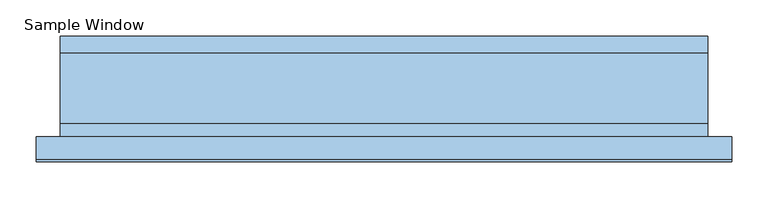
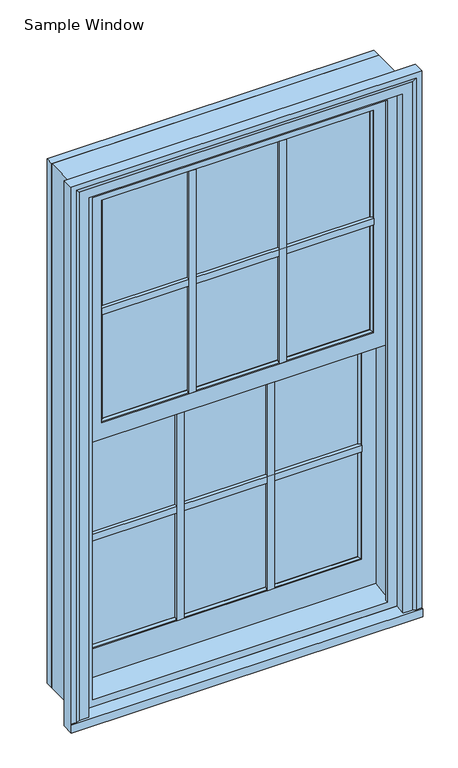
"""IFC4 building model written with IfcOpenShell, lengths in millimetres: window geometry, Sample Window."""

from ifc_helpers import new_model, si_unit, frame, origin, place, context, project, spatial, polyline, outline, extrude, faceted_brep, source, transform, mapped, element, save


def sample_window_9fab33bb(model_context):
    return source(origin(), model_context, "Body", "SolidModel", [
        extrude(outline(polyline([(133.8791667, 9.525), (114.8291667, 9.525), (114.8291667, 19.05), (133.8791667, 19.05), (133.8791667, 9.525)])), frame((0.0, 0.0, 1031.875), z_axis=(0.0, 0.0, 1.0), x_axis=(1.0, 0.0, 0.0)), (0.0, 0.0, 1.0), 644.921875),
        extrude(outline(polyline([(-114.8291667, 9.525), (-133.8791667, 9.525), (-133.8791667, 19.05), (-114.8291667, 19.05), (-114.8291667, 9.525)])), frame((0.0, 0.0, 1031.875), z_axis=(0.0, 0.0, 1.0), x_axis=(1.0, 0.0, 0.0)), (0.0, 0.0, 1.0), 644.921875),
        extrude(outline(polyline([(373.0625, 9.525), (-373.0625, 9.525), (-373.0625, 19.05), (373.0625, 19.05), (373.0625, 9.525)])), frame((0.0, 0.0, 1344.8109375), z_axis=(0.0, 0.0, 1.0), x_axis=(1.0, 0.0, 0.0)), (0.0, 0.0, 1.0), 19.05),
        extrude(outline(polyline([(133.8791667, -47.625), (114.8291667, -47.625), (114.8291667, -38.1), (133.8791667, -38.1), (133.8791667, -47.625)])), frame((0.0, 0.0, 1725.215625), z_axis=(0.0, 0.0, 1.0), x_axis=(1.0, 0.0, 0.0)), (0.0, 0.0, 1.0), 644.921875),
        extrude(outline(polyline([(-114.8291667, -47.625), (-133.8791667, -47.625), (-133.8791667, -38.1), (-114.8291667, -38.1), (-114.8291667, -47.625)])), frame((0.0, 0.0, 1725.215625), z_axis=(0.0, 0.0, 1.0), x_axis=(1.0, 0.0, 0.0)), (0.0, 0.0, 1.0), 644.921875),
        extrude(outline(polyline([(373.0625, -47.625), (-373.0625, -47.625), (-373.0625, -38.1), (373.0625, -38.1), (373.0625, -47.625)])), frame((0.0, 0.0, 2038.1515625), z_axis=(0.0, 0.0, 1.0), x_axis=(1.0, 0.0, 0.0)), (0.0, 0.0, 1.0), 19.05),
        extrude(outline(polyline([(-133.8791667, 38.1), (-133.8791667, 47.625), (-114.8291667, 47.625), (-114.8291667, 38.1), (-133.8791667, 38.1)])), frame((0.0, 0.0, 1031.875), z_axis=(0.0, 0.0, 1.0), x_axis=(1.0, 0.0, 0.0)), (0.0, 0.0, 1.0), 644.921875),
        extrude(outline(polyline([(114.8291667, 38.1), (114.8291667, 47.625), (133.8791667, 47.625), (133.8791667, 38.1), (114.8291667, 38.1)])), frame((0.0, 0.0, 1031.875), z_axis=(0.0, 0.0, 1.0), x_axis=(1.0, 0.0, 0.0)), (0.0, 0.0, 1.0), 644.921875),
        extrude(outline(polyline([(-373.0625, 38.1), (-373.0625, 47.625), (373.0625, 47.625), (373.0625, 38.1), (-373.0625, 38.1)])), frame((0.0, 0.0, 1344.8109375), z_axis=(0.0, 0.0, 1.0), x_axis=(1.0, 0.0, 0.0)), (0.0, 0.0, 1.0), 19.05),
        extrude(outline(polyline([(-133.8791667, -19.05), (-133.8791667, -9.525), (-114.8291667, -9.525), (-114.8291667, -19.05), (-133.8791667, -19.05)])), frame((0.0, 0.0, 1725.215625), z_axis=(0.0, 0.0, 1.0), x_axis=(1.0, 0.0, 0.0)), (0.0, 0.0, 1.0), 644.921875),
        extrude(outline(polyline([(114.8291667, -19.05), (114.8291667, -9.525), (133.8791667, -9.525), (133.8791667, -19.05), (114.8291667, -19.05)])), frame((0.0, 0.0, 1725.215625), z_axis=(0.0, 0.0, 1.0), x_axis=(1.0, 0.0, 0.0)), (0.0, 0.0, 1.0), 644.921875),
        extrude(outline(polyline([(-373.0625, -19.05), (-373.0625, -9.525), (373.0625, -9.525), (373.0625, -19.05), (-373.0625, -19.05)])), frame((0.0, 0.0, 2038.1515625), z_axis=(0.0, 0.0, 1.0), x_axis=(1.0, 0.0, 0.0)), (0.0, 0.0, 1.0), 19.05),
        faceted_brep([(-414.3375, 8.7536645, 2401.8875), (-414.3375, 8.7536645, 2420.9375), (414.3375, 8.7536645, 2420.9375), (414.3375, 8.7536645, 2401.8875), (414.3375, -4.9534455, 2401.8875), (414.3375, -4.9534455, 2420.9375), (-414.3375, -4.9534455, 2420.9375), (-414.3375, -4.9534455, 2401.8875), (449.2625, 58.7375, 2438.4), (449.2625, 58.7375, 916.78125), (414.3375, 58.7375, 916.78125), (414.3375, 58.7375, 2420.9375), (-414.3375, 58.7375, 2420.9375), (-414.3375, 58.7375, 916.78125), (-449.2625, 58.7375, 916.78125), (-449.2625, 58.7375, 2438.4), (449.2625, -38.1, 2438.4), (-449.2625, -38.1, 2438.4), (-449.2625, -38.1, 916.78125), (-414.3375, -38.1, 916.78125), (-414.3375, -38.1, 2420.9375), (414.3375, -38.1, 2420.9375), (414.3375, -38.1, 916.78125), (449.2625, -38.1, 916.78125)], [[[0, 1, 2, 3]], [[4, 5, 6, 7]], [[3, 4, 7, 0]], [[8, 9, 10, 11, 12, 13, 14, 15]], [[16, 17, 18, 19, 20, 21, 22, 23]], [[15, 17, 16, 8]], [[14, 18, 17, 15]], [[13, 19, 18, 14]], [[12, 1, 0, 7, 6, 20, 19, 13]], [[20, 6, 5, 21]], [[11, 2, 1, 12]], [[10, 22, 21, 5, 4, 3, 2, 11]], [[9, 23, 22, 10]], [[8, 16, 23, 9]]]),
        faceted_brep([(-412.986411, -7.4181475, 1715.133286), (-412.986411, 10.1853902, 1715.133286), (-412.986411, 10.1853902, 1700.2125), (-412.986411, 2.0060088, 1700.2125), (-412.986411, 2.0060088, 1677.5526515), (-412.986411, -46.9646098, 1677.5526515), (-412.986411, -46.9646098, 2410.061411), (-412.986411, -38.1, 2410.061411), (-412.986411, -38.1, 1685.291714), (-412.986411, -7.4181475, 1685.291714), (412.986411, -7.4181475, 1715.133286), (412.986411, -7.4181475, 1685.291714), (412.986411, -38.1, 1685.291714), (412.986411, -38.1, 2410.061411), (412.986411, -46.9646098, 2410.061411), (412.986411, -46.9646098, 1677.5526515), (412.986411, 2.0060088, 1677.5526515), (412.986411, 2.0060088, 1700.2125), (412.986411, 10.1853902, 1700.2125), (412.986411, 10.1853902, 1715.133286), (-373.3704656, -46.9646098, 1724.9076594), (-373.3704656, -46.9646098, 2370.4454656), (373.3704656, -46.9646098, 2370.4454656), (373.3704656, -46.9646098, 1724.9076594), (-367.50625, -39.1592145, 1730.771875), (367.50625, -39.1592145, 1730.771875), (367.50625, -38.1, 1730.771875), (-367.50625, -38.1, 1730.771875), (-373.3704656, -44.059247, 1724.9076594), (373.3704656, -44.059247, 1724.9076594), (367.50625, -39.1592145, 2364.58125), (367.50625, -38.1, 2364.58125), (373.3704656, -44.059247, 2370.4454656), (-367.50625, -39.1592145, 2364.58125), (-367.50625, -38.1, 2364.58125), (-373.3704656, -44.059247, 2370.4454656)], [[[0, 1, 2, 3, 4, 5, 6, 7, 8, 9]], [[10, 11, 12, 13, 14, 15, 16, 17, 18, 19]], [[9, 11, 10, 0]], [[9, 8, 12, 11]], [[5, 15, 14, 6], [20, 21, 22, 23]], [[4, 16, 15, 5]], [[3, 17, 16, 4]], [[2, 18, 17, 3]], [[1, 19, 18, 2]], [[0, 10, 19, 1]], [[24, 25, 26, 27]], [[24, 28, 29, 25]], [[28, 20, 23, 29]], [[25, 30, 31, 26]], [[29, 32, 30, 25]], [[23, 22, 32, 29]], [[13, 7, 6, 14]], [[30, 33, 34, 31]], [[32, 35, 33, 30]], [[22, 21, 35, 32]], [[12, 8, 7, 13], [26, 31, 34, 27]], [[27, 34, 33, 24]], [[24, 33, 35, 28]], [[28, 35, 21, 20]]]),
        faceted_brep([(482.6, -91.28125, 889.0), (482.6, -57.15, 889.0), (482.6, -57.15, 2471.7375), (482.6, -88.10625, 2471.7375), (482.6, -88.10625, 912.4066395), (482.6, -91.28125, 911.9604224), (-482.6, -91.28125, 911.9604224), (-482.6, -88.10625, 912.4066395), (-482.6, -88.10625, 2471.7375), (-482.6, -57.15, 2471.7375), (-482.6, -57.15, 889.0), (-482.6, -91.28125, 889.0), (431.7999189, -57.15, 916.7572568), (431.7999189, -57.15, 2420.9374189), (-431.7999189, -57.15, 2420.9374189), (-431.7999189, -57.15, 916.7572568), (467.6595873, -88.10625, 912.4066395), (457.1999189, -85.2514418, 912.8078567), (431.7999189, -85.2514418, 912.8078567), (-431.7999189, -85.2514418, 912.8078567), (-457.1999189, -85.2514418, 912.8078567), (-467.6595873, -88.10625, 912.4066395), (-467.6595873, -88.10625, 2456.7970873), (467.6595873, -88.10625, 2456.7970873), (-457.1999189, -85.2514418, 2446.3374189), (-431.7999189, -85.2514418, 2420.9374189), (431.7999189, -85.2514418, 2420.9374189), (457.1999189, -85.2514418, 2446.3374189)], [[[0, 1, 2, 3, 4, 5]], [[6, 7, 8, 9, 10, 11]], [[1, 10, 9, 2], [12, 13, 14, 15]], [[1, 0, 11, 10]], [[5, 6, 11, 0]], [[5, 4, 16, 17, 18, 12, 15, 19, 20, 21, 7, 6]], [[8, 7, 21, 22, 23, 16, 4, 3]], [[22, 21, 20, 24]], [[24, 20, 19, 25, 26, 18, 17, 27]], [[25, 19, 15, 14]], [[22, 24, 27, 23]], [[25, 14, 13, 26]], [[3, 2, 9, 8]], [[27, 17, 16, 23]], [[13, 12, 18, 26]]]),
        faceted_brep([(414.3375, 19.05, 1686.085464), (414.3375, 19.05, 948.7469339), (431.2210482, 19.05, 948.7469339), (431.2210482, 19.05, 916.78125), (-431.2210482, 19.05, 916.78125), (-431.2210482, 19.05, 948.7469339), (-414.3375, 19.05, 948.7469339), (-414.3375, 19.05, 1686.085464), (-412.986411, 19.05, 1686.085464), (-412.986411, 19.05, 948.7469339), (412.986411, 19.05, 948.7469339), (412.986411, 19.05, 1686.085464), (412.986411, -38.1, 1686.085464), (412.986411, -38.1, 940.7150252), (414.3375, -38.1, 940.7150252), (414.3375, -38.1, 1686.085464), (-414.3375, -38.1, 1686.085464), (-414.3375, -38.1, 940.7150252), (-412.986411, -38.1, 940.7150252), (-412.986411, -38.1, 1686.085464), (431.2210482, -38.1, 940.7150252), (431.2210482, -38.1, 916.78125), (-431.2210482, -38.1, 916.78125), (-431.2210482, -38.1, 940.7150252), (-414.3375, -49.8742648, 939.0602602), (-404.6855, -49.8742648, 939.0602602), (-404.6855, -57.15, 938.0377223), (404.6855, -57.15, 938.0377223), (404.6855, -49.8742648, 939.0602602), (414.3375, -49.8742648, 939.0602602), (449.2625, -38.1, 916.78125), (449.2625, -57.1994724, 916.78125), (-449.2625, -57.1994724, 916.78125), (-449.2625, -38.1, 916.78125), (449.2625, -57.15, 2438.4), (-449.2625, -57.15, 2438.4), (-404.6855, -57.15, 2393.823), (404.6855, -57.15, 2393.823), (-414.3375, -38.1, 2403.475), (-414.3375, -38.1, 1686.085464), (-449.2625, -38.1, 2438.4), (449.2625, -38.1, 2438.4), (414.3375, -38.1, 1686.085464), (414.3375, -38.1, 2403.475), (-404.6855, -49.8742648, 2393.823), (-414.3375, -49.8742648, 2403.475), (414.3375, -49.8742648, 2403.475), (404.6855, -49.8742648, 2393.823)], [[[0, 1, 2, 3, 4, 5, 6, 7, 8, 9, 10, 11]], [[12, 13, 14, 15]], [[16, 17, 18, 19]], [[11, 10, 13, 12]], [[15, 14, 1, 0]], [[11, 12, 15, 0]], [[7, 16, 19, 8]], [[7, 6, 17, 16]], [[19, 18, 9, 8]], [[2, 20, 21, 3]], [[4, 22, 23, 5]], [[1, 14, 20, 2]], [[9, 18, 17, 24, 25, 26, 27, 28, 29, 14, 13, 10]], [[5, 23, 17, 6]], [[3, 21, 30, 31, 32, 33, 22, 4]], [[31, 34, 35, 32], [26, 36, 37, 27]], [[38, 39, 17, 23, 22, 33, 40, 41, 30, 21, 20, 14, 42, 43]], [[32, 35, 40, 33]], [[36, 26, 25, 44]], [[44, 25, 24, 45, 46, 29, 28, 47]], [[45, 24, 17, 39, 38]], [[40, 35, 34, 41]], [[36, 44, 47, 37]], [[43, 46, 45, 38]], [[41, 34, 31, 30]], [[47, 28, 27, 37]], [[43, 42, 14, 29, 46]]]),
        extrude(outline(polyline([(380.20625, 37.30625), (380.20625, 34.13125), (-380.20625, 34.13125), (-380.20625, 37.30625), (380.20625, 37.30625)])), frame((0.0, 0.0, 1024.73125), z_axis=(0.0, 0.0, 1.0), x_axis=(1.0, 0.0, 0.0)), (0.0, 0.0, 1.0), 659.209375),
        extrude(outline(polyline([(380.20625, 23.01875), (380.20625, 19.05), (-380.20625, 19.05), (-380.20625, 23.01875), (380.20625, 23.01875)])), frame((0.0, 0.0, 1024.73125), z_axis=(0.0, 0.0, 1.0), x_axis=(1.0, 0.0, 0.0)), (0.0, 0.0, 1.0), 659.209375),
        extrude(outline(polyline([(380.20625, -19.84375), (380.20625, -23.01875), (-380.20625, -23.01875), (-380.20625, -19.84375), (380.20625, -19.84375)])), frame((0.0, 0.0, 1718.071875), z_axis=(0.0, 0.0, 1.0), x_axis=(1.0, 0.0, 0.0)), (0.0, 0.0, 1.0), 659.209375),
        extrude(outline(polyline([(380.20625, -34.13125), (380.20625, -38.1), (-380.20625, -38.1), (-380.20625, -34.13125), (380.20625, -34.13125)])), frame((0.0, 0.0, 1718.071875), z_axis=(0.0, 0.0, 1.0), x_axis=(1.0, 0.0, 0.0)), (0.0, 0.0, 1.0), 659.209375),
        faceted_brep([(-384.98145, 37.9427032, 1688.715825), (384.98145, 37.9427032, 1688.715825), (384.98145, 19.05, 1688.715825), (-384.98145, 19.05, 1688.715825), (-367.50625, 42.4694143, 1671.240625), (367.50625, 42.4694143, 1671.240625), (367.50625, 37.9427032, 1671.240625), (-367.50625, 37.9427032, 1671.240625), (-373.06885, 48.0320143, 1676.803225), (373.06885, 48.0320143, 1676.803225), (-373.06885, 49.7318525, 1676.803225), (373.06885, 49.7318525, 1676.803225), (412.986411, 19.05, 1716.720786), (412.986411, 19.05, 949.3862452), (412.986411, 49.7318525, 954.0222584), (412.986411, 49.7318525, 1726.796775), (412.986411, 5.6968123, 1726.796775), (412.986411, 5.6968123, 1717.271775), (412.986411, 4.1067806, 1717.271775), (412.986411, 4.1067806, 1726.796775), (412.986411, -7.4181475, 1726.796775), (412.986411, -7.4181475, 2410.061411), (412.986411, -38.1, 2410.061411), (412.986411, -38.1, 1685.291714), (412.986411, -7.4181475, 1685.291714), (412.986411, -7.4181475, 1716.720786), (384.98145, 37.9427032, 1019.95605), (384.98145, 19.05, 1019.95605), (367.50625, 42.4694143, 1037.43125), (367.50625, 37.9427032, 1037.43125), (373.06885, 48.0320143, 1031.86865), (373.06885, 49.7318525, 1031.86865), (-384.98145, 37.9427032, 1019.95605), (-384.98145, 19.05, 1019.95605), (-367.50625, 42.4694143, 1037.43125), (-367.50625, 37.9427032, 1037.43125), (-373.06885, 48.0320143, 1031.86865), (-373.06885, 49.7318525, 1031.86865), (-412.986411, 19.05, 949.3862452), (-412.986411, 19.05, 1716.720786), (-412.986411, -7.4181475, 1716.720786), (-412.986411, -7.4181475, 1685.291714), (-412.986411, -38.1, 1685.291714), (-412.986411, -38.1, 2410.061411), (-412.986411, -7.4181475, 2410.061411), (-412.986411, -7.4181475, 1726.796775), (-412.986411, 4.1067806, 1726.796775), (-412.986411, 4.1067806, 1717.271775), (-412.986411, 5.6968123, 1717.271775), (-412.986411, 5.6968123, 1726.796775), (-412.986411, 49.7318525, 1726.796775), (-412.986411, 49.7318525, 954.0222584), (-384.98145, -19.2072968, 2382.05645), (384.98145, -19.2072968, 2382.05645), (384.98145, -38.1, 2382.05645), (-384.98145, -38.1, 2382.05645), (-367.50625, -14.6805857, 2364.58125), (367.50625, -14.6805857, 2364.58125), (367.50625, -19.2072968, 2364.58125), (-367.50625, -19.2072968, 2364.58125), (-373.06885, -9.1179857, 2370.14385), (373.06885, -9.1179857, 2370.14385), (-373.06885, -7.4181475, 2370.14385), (373.06885, -7.4181475, 2370.14385), (384.98145, -19.2072968, 1713.296675), (384.98145, -38.1, 1713.296675), (367.50625, -14.6805857, 1730.771875), (367.50625, -19.2072968, 1730.771875), (373.06885, -9.1179857, 1725.209275), (373.06885, -7.4181475, 1726.796775), (373.06885, -7.4181475, 1725.209275), (-384.98145, -19.2072968, 1713.296675), (-384.98145, -38.1, 1713.296675), (-367.50625, -14.6805857, 1730.771875), (-367.50625, -19.2072968, 1730.771875), (-373.06885, -9.1179857, 1725.209275), (-373.06885, -7.4181475, 1725.209275), (-373.06885, -7.4181475, 1726.796775)], [[[0, 1, 2, 3]], [[4, 5, 6, 7]], [[4, 8, 9, 5]], [[8, 10, 11, 9]], [[12, 13, 14, 15, 16, 17, 18, 19, 20, 21, 22, 23, 24, 25]], [[1, 26, 27, 2]], [[5, 28, 29, 6]], [[9, 30, 28, 5]], [[11, 31, 30, 9]], [[26, 32, 33, 27]], [[28, 34, 35, 29]], [[30, 36, 34, 28]], [[31, 37, 36, 30]], [[38, 39, 40, 41, 42, 43, 44, 45, 46, 47, 48, 49, 50, 51]], [[12, 39, 38, 13], [2, 27, 33, 3]], [[3, 33, 32, 0]], [[0, 32, 26, 1], [6, 29, 35, 7]], [[7, 35, 34, 4]], [[4, 34, 36, 8]], [[8, 36, 37, 10]], [[14, 51, 50, 15], [10, 37, 31, 11]], [[43, 22, 21, 44]], [[52, 53, 54, 55]], [[56, 57, 58, 59]], [[56, 60, 61, 57]], [[60, 62, 63, 61]], [[53, 64, 65, 54]], [[57, 66, 67, 58]], [[61, 68, 66, 57]], [[63, 69, 70, 68, 61]], [[23, 42, 41, 24]], [[64, 71, 72, 65]], [[66, 73, 74, 67]], [[68, 75, 73, 66]], [[70, 76, 75, 68]], [[43, 42, 23, 22], [54, 65, 72, 55]], [[55, 72, 71, 52]], [[52, 71, 64, 53], [58, 67, 74, 59]], [[59, 74, 73, 56]], [[56, 73, 75, 60]], [[60, 75, 76, 77, 62]], [[21, 20, 69, 63, 62, 77, 45, 44]], [[41, 40, 25, 24]], [[48, 17, 16, 49]], [[47, 18, 17, 48]], [[46, 19, 18, 47]], [[45, 77, 69, 20, 19, 46]], [[77, 76, 70, 69]], [[25, 40, 39, 12]], [[49, 16, 15, 50]], [[13, 38, 51, 14]]]),
        faceted_brep([(412.986411, 19.05, 949.3728419), (412.986411, 19.05, 1716.720786), (412.986411, 10.1853902, 1716.720786), (412.986411, 10.1853902, 948.0334036), (-412.986411, 10.1853902, 948.0334036), (-412.986411, 10.1853902, 1716.720786), (-412.986411, 19.05, 1716.720786), (-412.986411, 19.05, 949.3728419), (-367.50625, 19.05, 1671.240625), (-367.50625, 19.05, 1037.43125), (367.50625, 19.05, 1037.43125), (367.50625, 19.05, 1671.240625), (373.3704656, 10.1853902, 1677.1048406), (373.3704656, 10.1853902, 1031.5670344), (-373.3704656, 10.1853902, 1031.5670344), (-373.3704656, 10.1853902, 1677.1048406), (-373.3704656, 13.090753, 1677.1048406), (373.3704656, 13.090753, 1677.1048406), (-367.50625, 17.9907855, 1671.240625), (367.50625, 17.9907855, 1671.240625), (373.3704656, 13.090753, 1031.5670344), (367.50625, 17.9907855, 1037.43125), (-373.3704656, 13.090753, 1031.5670344), (-367.50625, 17.9907855, 1037.43125)], [[[0, 1, 2, 3]], [[4, 5, 6, 7]], [[0, 7, 6, 1], [8, 9, 10, 11]], [[3, 4, 7, 0]], [[2, 5, 4, 3], [12, 13, 14, 15]], [[16, 17, 12, 15]], [[16, 18, 19, 17]], [[18, 8, 11, 19]], [[5, 2, 1, 6]], [[17, 20, 13, 12]], [[19, 21, 20, 17]], [[11, 10, 21, 19]], [[20, 22, 14, 13]], [[21, 23, 22, 20]], [[10, 9, 23, 21]], [[15, 14, 22, 16]], [[16, 22, 23, 18]], [[18, 23, 9, 8]]]),
        extrude(outline(polyline([(19.05, 916.78125), (19.05, 948.7469339), (51.97348, 953.3740273), (51.97348, 981.95765), (58.7375, 981.95765), (58.7375, 916.78125), (19.05, 916.78125)])), frame((-414.3375, 0.0, 0.0), z_axis=(1.0, 0.0, 0.0), x_axis=(0.0, 1.0, 0.0)), (0.0, 0.0, 1.0), 828.675),
        extrude(outline(polyline([(2438.4, 449.2625), (2438.4, -449.2625), (916.78125, -449.2625), (916.78125, 449.2625), (2438.4, 449.2625)]), holes=[polyline([(2420.9375, 431.8), (950.11875, 431.8), (950.11875, -431.8), (2420.9375, -431.8), (2420.9375, 431.8)])]), frame((0.0, 59.53125, 0.0), z_axis=(0.0, 1.0, 0.0), x_axis=(0.0, 0.0, 1.0)), (0.0, 0.0, 1.0), 23.01875),
    ])


if __name__ == "__main__":
    model = new_model("IFC4")
    model_context = context("Model", 3, world=origin())
    ifc_project = project(units=[si_unit("LENGTHUNIT", "METRE", prefix="MILLI")], contexts=[model_context])
    site = spatial("IfcSite", under=ifc_project)
    building = spatial("IfcBuilding", under=site)
    placement = place(None, origin())
    sample_window_shape = sample_window_9fab33bb(model_context)
    element("IfcWindow", 1, ObjectType="Sample Window", at=placement, inside=building, context=model_context, shape_type="MappedRepresentation", body=[
        mapped(sample_window_shape, transform((0.0, 0.0, 0.0), x_axis=(1.0, 0.0, 0.0), y_axis=(0.0, 1.0, 0.0), z_axis=(0.0, 0.0, 1.0))),
    ])
    save(model, "model.ifc")
